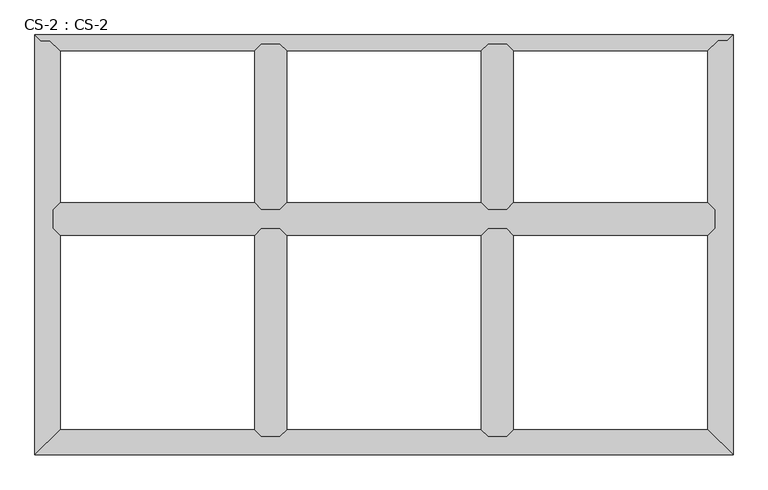
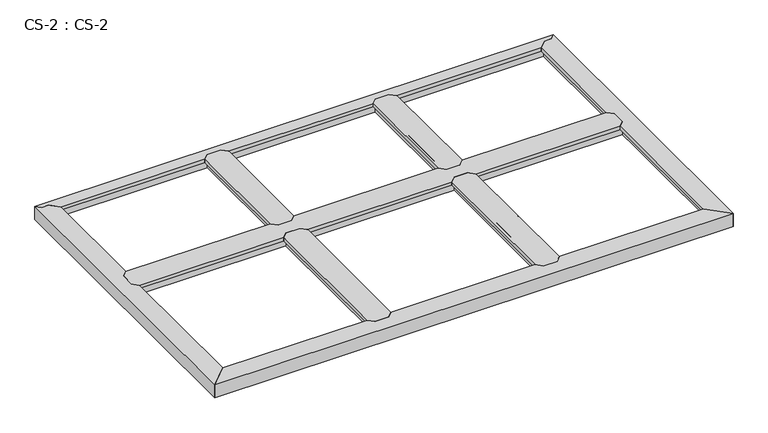
"""IFC4 building model written with IfcOpenShell, lengths in millimetres: proxy geometry, CS-2 : CS-2."""

from ifc_helpers import new_model, si_unit, origin, place, context, project, spatial, faceted_brep, source, transform, mapped, element, save


def cs_2_cs_2_cf7e7fa7(model_context):
    return source(origin(), model_context, "Body", "Brep", [
        faceted_brep([(2438.4, 812.8, 46.355), (2438.4, 812.8, 0.0), (2438.4, 819.785, 0.0), (2438.4, 819.785, 63.5), (2438.4, 871.855, 63.5), (2438.4, 871.855, 0.0), (2438.4, 878.84, 0.0), (2438.4, 878.84, 46.355), (2438.4, 878.84, 66.675), (2438.4, 812.8, 66.675), (66.04, 878.84, 46.355), (66.04, 878.84, 0.0), (66.04, 871.855, 0.0), (66.04, 871.855, 63.5), (66.04, 819.785, 63.5), (66.04, 819.785, 0.0), (66.04, 812.8, 0.0), (66.04, 812.8, 46.355), (66.04, 812.8, 66.675), (66.04, 878.84, 66.675), (90.678, 903.478, 49.8094), (90.678, 903.478, 66.675), (788.162, 903.478, 66.675), (788.162, 903.478, 49.8094), (2413.762, 903.478, 66.675), (2413.762, 903.478, 49.8094), (1716.278, 903.478, 49.8094), (1716.278, 903.478, 66.675), (903.478, 903.478, 49.8094), (903.478, 903.478, 66.675), (1600.962, 903.478, 66.675), (1600.962, 903.478, 49.8094), (89.154, 901.954, 49.8094), (789.686, 901.954, 49.8094), (2415.286, 901.954, 49.8094), (1714.754, 901.954, 49.8094), (901.954, 901.954, 49.8094), (1602.486, 901.954, 49.8094), (89.154, 901.954, 64.643), (789.686, 901.954, 64.643), (2415.286, 901.954, 64.643), (1714.754, 901.954, 64.643), (901.954, 901.954, 64.643), (1602.486, 901.954, 64.643), (78.867, 891.667, 64.643), (799.973, 891.667, 64.643), (2425.573, 891.667, 64.643), (1704.467, 891.667, 64.643), (891.667, 891.667, 64.643), (1612.773, 891.667, 64.643), (78.867, 891.667, 46.355), (799.973, 891.667, 46.355), (2425.573, 891.667, 46.355), (1704.467, 891.667, 46.355), (891.667, 891.667, 46.355), (1612.773, 891.667, 46.355), (812.8, 878.84, 46.355), (1691.64, 878.84, 46.355), (878.84, 878.84, 46.355), (1625.6, 878.84, 46.355), (812.8, 878.84, 66.675), (878.84, 878.84, 66.675), (1625.6, 878.84, 66.675), (1691.64, 878.84, 66.675), (1691.64, 812.8, 46.355), (1691.64, 812.8, 66.675), (1625.6, 812.8, 66.675), (1625.6, 812.8, 46.355), (878.84, 812.8, 46.355), (878.84, 812.8, 66.675), (812.8, 812.8, 66.675), (812.8, 812.8, 46.355), (78.867, 799.973, 46.355), (799.973, 799.973, 46.355), (2425.573, 799.973, 46.355), (1704.467, 799.973, 46.355), (891.667, 799.973, 46.355), (1612.773, 799.973, 46.355), (78.867, 799.973, 64.643), (799.973, 799.973, 64.643), (2425.573, 799.973, 64.643), (1704.467, 799.973, 64.643), (891.667, 799.973, 64.643), (1612.773, 799.973, 64.643), (89.154, 789.686, 64.643), (789.686, 789.686, 64.643), (2415.286, 789.686, 64.643), (1714.754, 789.686, 64.643), (901.954, 789.686, 64.643), (1602.486, 789.686, 64.643), (89.154, 789.686, 49.8094), (789.686, 789.686, 49.8094), (2415.286, 789.686, 49.8094), (1714.754, 789.686, 49.8094), (901.954, 789.686, 49.8094), (1602.486, 789.686, 49.8094), (90.678, 788.162, 49.8094), (788.162, 788.162, 49.8094), (2413.762, 788.162, 49.8094), (1716.278, 788.162, 49.8094), (903.478, 788.162, 49.8094), (1600.962, 788.162, 49.8094), (90.678, 788.162, 66.675), (788.162, 788.162, 66.675), (2413.762, 788.162, 66.675), (1716.278, 788.162, 66.675), (903.478, 788.162, 66.675), (1600.962, 788.162, 66.675)], [[[0, 1, 2, 3, 4, 5, 6, 7, 8, 9]], [[10, 11, 12, 13, 14, 15, 16, 17, 18, 19]], [[20, 21, 22, 23]], [[24, 25, 26, 27]], [[28, 29, 30, 31]], [[32, 20, 23, 33]], [[25, 34, 35, 26]], [[36, 28, 31, 37]], [[38, 32, 33, 39]], [[34, 40, 41, 35]], [[42, 36, 37, 43]], [[44, 38, 39, 45]], [[40, 46, 47, 41]], [[48, 42, 43, 49]], [[50, 44, 45, 51]], [[46, 52, 53, 47]], [[54, 48, 49, 55]], [[10, 50, 51, 56]], [[52, 7, 57, 53]], [[58, 54, 55, 59]], [[7, 6, 11, 10, 56, 60, 61, 58, 59, 62, 63, 57]], [[6, 5, 12, 11]], [[5, 4, 13, 12]], [[4, 3, 14, 13]], [[3, 2, 15, 14]], [[2, 1, 16, 15]], [[1, 0, 64, 65, 66, 67, 68, 69, 70, 71, 17, 16]], [[72, 17, 71, 73]], [[0, 74, 75, 64]], [[76, 68, 67, 77]], [[78, 72, 73, 79]], [[74, 80, 81, 75]], [[82, 76, 77, 83]], [[84, 78, 79, 85]], [[80, 86, 87, 81]], [[88, 82, 83, 89]], [[90, 84, 85, 91]], [[86, 92, 93, 87]], [[94, 88, 89, 95]], [[96, 90, 91, 97]], [[92, 98, 99, 93]], [[100, 94, 95, 101]], [[102, 96, 97, 103]], [[98, 104, 105, 99]], [[106, 100, 101, 107]], [[9, 8, 24, 27, 63, 62, 30, 29, 61, 60, 22, 21, 19, 18, 102, 103, 70, 69, 106, 107, 66, 65, 105, 104]], [[10, 19, 21, 20, 32, 38, 44, 50]], [[18, 17, 72, 78, 84, 90, 96, 102]], [[0, 9, 104, 98, 92, 86, 80, 74]], [[8, 7, 52, 46, 40, 34, 25, 24]], [[60, 56, 51, 45, 39, 33, 23, 22]], [[58, 61, 29, 28, 36, 42, 48, 54]], [[62, 59, 55, 49, 43, 37, 31, 30]], [[57, 63, 27, 26, 35, 41, 47, 53]], [[69, 68, 76, 82, 88, 94, 100, 106]], [[71, 70, 103, 97, 91, 85, 79, 73]], [[65, 64, 75, 81, 87, 93, 99, 105]], [[67, 66, 107, 101, 95, 89, 83, 77]]]),
        faceted_brep([(1691.64, 1473.2, 46.355), (1691.64, 1473.2, 0.0), (1684.655, 1473.2, 0.0), (1684.655, 1473.2, 63.5), (1632.585, 1473.2, 63.5), (1632.585, 1473.2, 0.0), (1625.6, 1473.2, 0.0), (1625.6, 1473.2, 46.355), (1625.6, 1473.2, 66.675), (1691.64, 1473.2, 66.675), (1625.6, 878.84, 46.355), (1625.6, 878.84, 0.0), (1632.585, 878.84, 0.0), (1632.585, 878.84, 63.5), (1684.655, 878.84, 63.5), (1684.655, 878.84, 0.0), (1691.64, 878.84, 0.0), (1691.64, 878.84, 46.355), (1691.64, 878.84, 66.675), (1625.6, 878.84, 66.675), (1600.962, 903.478, 66.675), (1600.962, 1448.562, 66.675), (1600.962, 1448.562, 49.8094), (1600.962, 903.478, 49.8094), (1602.486, 1450.086, 49.8094), (1602.486, 901.954, 49.8094), (1602.486, 1450.086, 64.643), (1602.486, 901.954, 64.643), (1612.773, 1460.373, 64.643), (1612.773, 891.667, 64.643), (1612.773, 1460.373, 46.355), (1612.773, 891.667, 46.355), (1704.467, 1460.373, 46.355), (1704.467, 891.667, 46.355), (1704.467, 1460.373, 64.643), (1704.467, 891.667, 64.643), (1714.754, 1450.086, 64.643), (1714.754, 901.954, 64.643), (1714.754, 1450.086, 49.8094), (1714.754, 901.954, 49.8094), (1716.278, 1448.562, 49.8094), (1716.278, 903.478, 49.8094), (1716.278, 1448.562, 66.675), (1716.278, 903.478, 66.675)], [[[0, 1, 2, 3, 4, 5, 6, 7, 8, 9]], [[10, 11, 12, 13, 14, 15, 16, 17, 18, 19]], [[20, 21, 22, 23]], [[23, 22, 24, 25]], [[25, 24, 26, 27]], [[27, 26, 28, 29]], [[29, 28, 30, 31]], [[7, 10, 31, 30]], [[7, 6, 11, 10]], [[6, 5, 12, 11]], [[5, 4, 13, 12]], [[4, 3, 14, 13]], [[3, 2, 15, 14]], [[2, 1, 16, 15]], [[1, 0, 17, 16]], [[17, 0, 32, 33]], [[33, 32, 34, 35]], [[35, 34, 36, 37]], [[37, 36, 38, 39]], [[39, 38, 40, 41]], [[41, 40, 42, 43]], [[9, 8, 21, 20, 19, 18, 43, 42]], [[10, 19, 20, 23, 25, 27, 29, 31]], [[18, 17, 33, 35, 37, 39, 41, 43]], [[0, 9, 42, 40, 38, 36, 34, 32]], [[8, 7, 30, 28, 26, 24, 22, 21]]]),
        faceted_brep([(878.84, 1473.2, 46.355), (878.84, 1473.2, 0.0), (871.855, 1473.2, 0.0), (871.855, 1473.2, 63.5), (819.785, 1473.2, 63.5), (819.785, 1473.2, 0.0), (812.8, 1473.2, 0.0), (812.8, 1473.2, 46.355), (812.8, 1473.2, 66.675), (878.84, 1473.2, 66.675), (812.8, 878.84, 46.355), (812.8, 878.84, 0.0), (819.785, 878.84, 0.0), (819.785, 878.84, 63.5), (871.855, 878.84, 63.5), (871.855, 878.84, 0.0), (878.84, 878.84, 0.0), (878.84, 878.84, 46.355), (878.84, 878.84, 66.675), (812.8, 878.84, 66.675), (788.162, 903.478, 66.675), (788.162, 1448.562, 66.675), (788.162, 1448.562, 49.8094), (788.162, 903.478, 49.8094), (789.686, 1450.086, 49.8094), (789.686, 901.954, 49.8094), (789.686, 1450.086, 64.643), (789.686, 901.954, 64.643), (799.973, 1460.373, 64.643), (799.973, 891.667, 64.643), (799.973, 1460.373, 46.355), (799.973, 891.667, 46.355), (891.667, 1460.373, 46.355), (891.667, 891.667, 46.355), (891.667, 1460.373, 64.643), (891.667, 891.667, 64.643), (901.954, 1450.086, 64.643), (901.954, 901.954, 64.643), (901.954, 1450.086, 49.8094), (901.954, 901.954, 49.8094), (903.478, 1448.562, 49.8094), (903.478, 903.478, 49.8094), (903.478, 1448.562, 66.675), (903.478, 903.478, 66.675)], [[[0, 1, 2, 3, 4, 5, 6, 7, 8, 9]], [[10, 11, 12, 13, 14, 15, 16, 17, 18, 19]], [[20, 21, 22, 23]], [[23, 22, 24, 25]], [[25, 24, 26, 27]], [[27, 26, 28, 29]], [[29, 28, 30, 31]], [[7, 10, 31, 30]], [[7, 6, 11, 10]], [[6, 5, 12, 11]], [[5, 4, 13, 12]], [[4, 3, 14, 13]], [[3, 2, 15, 14]], [[2, 1, 16, 15]], [[1, 0, 17, 16]], [[17, 0, 32, 33]], [[33, 32, 34, 35]], [[35, 34, 36, 37]], [[37, 36, 38, 39]], [[39, 38, 40, 41]], [[41, 40, 42, 43]], [[9, 8, 21, 20, 19, 18, 43, 42]], [[10, 19, 20, 23, 25, 27, 29, 31]], [[18, 17, 33, 35, 37, 39, 41, 43]], [[0, 9, 42, 40, 38, 36, 34, 32]], [[8, 7, 30, 28, 26, 24, 22, 21]]]),
        faceted_brep([(1691.64, 812.8, 46.355), (1691.64, 812.8, 0.0), (1684.655, 812.8, 0.0), (1684.655, 812.8, 63.5), (1632.585, 812.8, 63.5), (1632.585, 812.8, 0.0), (1625.6, 812.8, 0.0), (1625.6, 812.8, 46.355), (1625.6, 812.8, 66.675), (1691.64, 812.8, 66.675), (1625.6, 66.04, 46.355), (1625.6, 66.04, 0.0), (1632.585, 66.04, 0.0), (1632.585, 66.04, 63.5), (1684.655, 66.04, 63.5), (1684.655, 66.04, 0.0), (1691.64, 66.04, 0.0), (1691.64, 66.04, 46.355), (1691.64, 66.04, 66.675), (1625.6, 66.04, 66.675), (1600.962, 90.678, 66.675), (1600.962, 788.162, 66.675), (1600.962, 788.162, 49.8094), (1600.962, 90.678, 49.8094), (1602.486, 789.686, 49.8094), (1602.486, 89.154, 49.8094), (1602.486, 789.686, 64.643), (1602.486, 89.154, 64.643), (1612.773, 799.973, 64.643), (1612.773, 78.867, 64.643), (1612.773, 799.973, 46.355), (1612.773, 78.867, 46.355), (1704.467, 799.973, 46.355), (1704.467, 78.867, 46.355), (1704.467, 799.973, 64.643), (1704.467, 78.867, 64.643), (1714.754, 789.686, 64.643), (1714.754, 89.154, 64.643), (1714.754, 789.686, 49.8094), (1714.754, 89.154, 49.8094), (1716.278, 788.162, 49.8094), (1716.278, 90.678, 49.8094), (1716.278, 788.162, 66.675), (1716.278, 90.678, 66.675)], [[[0, 1, 2, 3, 4, 5, 6, 7, 8, 9]], [[10, 11, 12, 13, 14, 15, 16, 17, 18, 19]], [[20, 21, 22, 23]], [[23, 22, 24, 25]], [[25, 24, 26, 27]], [[27, 26, 28, 29]], [[29, 28, 30, 31]], [[7, 10, 31, 30]], [[7, 6, 11, 10]], [[6, 5, 12, 11]], [[5, 4, 13, 12]], [[4, 3, 14, 13]], [[3, 2, 15, 14]], [[2, 1, 16, 15]], [[1, 0, 17, 16]], [[17, 0, 32, 33]], [[33, 32, 34, 35]], [[35, 34, 36, 37]], [[37, 36, 38, 39]], [[39, 38, 40, 41]], [[41, 40, 42, 43]], [[9, 8, 21, 20, 19, 18, 43, 42]], [[10, 19, 20, 23, 25, 27, 29, 31]], [[18, 17, 33, 35, 37, 39, 41, 43]], [[0, 9, 42, 40, 38, 36, 34, 32]], [[8, 7, 30, 28, 26, 24, 22, 21]]]),
        faceted_brep([(878.84, 812.8, 46.355), (878.84, 812.8, 0.0), (871.855, 812.8, 0.0), (871.855, 812.8, 63.5), (819.785, 812.8, 63.5), (819.785, 812.8, 0.0), (812.8, 812.8, 0.0), (812.8, 812.8, 46.355), (812.8, 812.8, 66.675), (878.84, 812.8, 66.675), (812.8, 66.04, 46.355), (812.8, 66.04, 0.0), (819.785, 66.04, 0.0), (819.785, 66.04, 63.5), (871.855, 66.04, 63.5), (871.855, 66.04, 0.0), (878.84, 66.04, 0.0), (878.84, 66.04, 46.355), (878.84, 66.04, 66.675), (812.8, 66.04, 66.675), (788.162, 90.678, 66.675), (788.162, 788.162, 66.675), (788.162, 788.162, 49.8094), (788.162, 90.678, 49.8094), (789.686, 789.686, 49.8094), (789.686, 89.154, 49.8094), (789.686, 789.686, 64.643), (789.686, 89.154, 64.643), (799.973, 799.973, 64.643), (799.973, 78.867, 64.643), (799.973, 799.973, 46.355), (799.973, 78.867, 46.355), (891.667, 799.973, 46.355), (891.667, 78.867, 46.355), (891.667, 799.973, 64.643), (891.667, 78.867, 64.643), (901.954, 789.686, 64.643), (901.954, 89.154, 64.643), (901.954, 789.686, 49.8094), (901.954, 89.154, 49.8094), (903.478, 788.162, 49.8094), (903.478, 90.678, 49.8094), (903.478, 788.162, 66.675), (903.478, 90.678, 66.675)], [[[0, 1, 2, 3, 4, 5, 6, 7, 8, 9]], [[10, 11, 12, 13, 14, 15, 16, 17, 18, 19]], [[20, 21, 22, 23]], [[23, 22, 24, 25]], [[25, 24, 26, 27]], [[27, 26, 28, 29]], [[29, 28, 30, 31]], [[7, 10, 31, 30]], [[7, 6, 11, 10]], [[6, 5, 12, 11]], [[5, 4, 13, 12]], [[4, 3, 14, 13]], [[3, 2, 15, 14]], [[2, 1, 16, 15]], [[1, 0, 17, 16]], [[17, 0, 32, 33]], [[33, 32, 34, 35]], [[35, 34, 36, 37]], [[37, 36, 38, 39]], [[39, 38, 40, 41]], [[41, 40, 42, 43]], [[9, 8, 21, 20, 19, 18, 43, 42]], [[10, 19, 20, 23, 25, 27, 29, 31]], [[18, 17, 33, 35, 37, 39, 41, 43]], [[0, 9, 42, 40, 38, 36, 34, 32]], [[8, 7, 30, 28, 26, 24, 22, 21]]]),
        faceted_brep([(2504.44, 0.0, 0.0), (0.0, 0.0, 0.0), (6.985, 6.985, 0.0), (2497.455, 6.985, 0.0), (2497.455, 6.985, 63.5), (6.985, 6.985, 63.5), (2445.385, 59.055, 63.5), (59.055, 59.055, 63.5), (2445.385, 59.055, 0.0), (59.055, 59.055, 0.0), (66.04, 66.04, 0.0), (2438.4, 66.04, 0.0), (2438.4, 66.04, 46.355), (66.04, 66.04, 46.355), (812.8, 66.04, 46.355), (812.8, 66.04, 66.675), (878.84, 66.04, 66.675), (878.84, 66.04, 46.355), (1625.6, 66.04, 46.355), (1625.6, 66.04, 66.675), (1691.64, 66.04, 66.675), (1691.64, 66.04, 46.355), (2425.573, 78.867, 46.355), (1704.467, 78.867, 46.355), (78.867, 78.867, 46.355), (799.973, 78.867, 46.355), (1612.773, 78.867, 46.355), (891.667, 78.867, 46.355), (2425.573, 78.867, 63.5), (1704.467, 78.867, 63.5), (78.867, 78.867, 63.5), (799.973, 78.867, 63.5), (1612.773, 78.867, 63.5), (891.667, 78.867, 63.5), (2415.286, 89.154, 63.5), (1714.754, 89.154, 63.5), (89.154, 89.154, 63.5), (789.686, 89.154, 63.5), (1602.486, 89.154, 63.5), (901.954, 89.154, 63.5), (2415.286, 89.154, 49.8094), (1714.754, 89.154, 49.8094), (89.154, 89.154, 49.8094), (789.686, 89.154, 49.8094), (1602.486, 89.154, 49.8094), (901.954, 89.154, 49.8094), (2413.762, 90.678, 49.8094), (1716.278, 90.678, 49.8094), (90.678, 90.678, 49.8094), (788.162, 90.678, 49.8094), (1600.962, 90.678, 49.8094), (903.478, 90.678, 49.8094), (2413.762, 90.678, 66.675), (1716.278, 90.678, 66.675), (90.678, 90.678, 66.675), (788.162, 90.678, 66.675), (1600.962, 90.678, 66.675), (903.478, 90.678, 66.675), (0.0, 0.0, 66.675), (2504.44, 0.0, 66.675)], [[[0, 1, 2, 3]], [[4, 3, 2, 5]], [[6, 4, 5, 7]], [[8, 6, 7, 9]], [[10, 11, 8, 9]], [[12, 11, 10, 13, 14, 15, 16, 17, 18, 19, 20, 21]], [[22, 12, 21, 23]], [[13, 24, 25, 14]], [[26, 18, 17, 27]], [[28, 22, 23, 29]], [[24, 30, 31, 25]], [[32, 26, 27, 33]], [[34, 28, 29, 35]], [[30, 36, 37, 31]], [[38, 32, 33, 39]], [[40, 34, 35, 41]], [[36, 42, 43, 37]], [[44, 38, 39, 45]], [[46, 40, 41, 47]], [[42, 48, 49, 43]], [[50, 44, 45, 51]], [[52, 46, 47, 53]], [[48, 54, 55, 49]], [[56, 50, 51, 57]], [[58, 59, 52, 53, 20, 19, 56, 57, 16, 15, 55, 54]], [[1, 0, 59, 58]], [[0, 3, 4, 6, 8, 11, 12, 22, 28, 34, 40, 46, 52, 59]], [[2, 1, 58, 54, 48, 42, 36, 30, 24, 13, 10, 9, 7, 5]], [[19, 18, 26, 32, 38, 44, 50, 56]], [[21, 20, 53, 47, 41, 35, 29, 23]], [[15, 14, 25, 31, 37, 43, 49, 55]], [[17, 16, 57, 51, 45, 39, 33, 27]]]),
        faceted_brep([(2504.44, 1506.22, 0.0), (2504.44, 0.0, 0.0), (2497.455, 6.985, 0.0), (2497.455, 1499.235, 0.0), (2497.455, 1499.235, 63.5), (2497.455, 6.985, 63.5), (2482.85, 1484.63, 63.5), (2445.385, 59.055, 63.5), (2445.385, 1479.1093878, 63.5), (2451.1, 1484.63, 63.5), (2445.385, 1479.1093878, 0.0), (2445.385, 59.055, 0.0), (2438.4, 66.04, 0.0), (2438.4, 1472.3619728, 0.0), (2438.4, 1472.3619728, 46.355), (2438.4, 66.04, 46.355), (2438.4, 812.8, 46.355), (2438.4, 812.8, 66.675), (2438.4, 878.84, 66.675), (2438.4, 878.84, 46.355), (2425.573, 1459.9712653, 46.355), (2425.573, 891.667, 46.355), (2425.573, 78.867, 46.355), (2425.573, 799.973, 46.355), (2425.573, 1459.9712653, 63.5), (2425.573, 891.667, 63.5), (2425.573, 78.867, 63.5), (2425.573, 799.973, 63.5), (2415.286, 1450.0341633, 63.5), (2415.286, 901.954, 63.5), (2415.286, 89.154, 63.5), (2415.286, 789.686, 63.5), (2415.286, 1450.0341633, 49.8094), (2415.286, 901.954, 49.8094), (2415.286, 89.154, 49.8094), (2415.286, 789.686, 49.8094), (2413.762, 1448.562, 49.8094), (2413.762, 903.478, 49.8094), (2413.762, 90.678, 49.8094), (2413.762, 788.162, 49.8094), (2413.762, 1448.562, 66.675), (2413.762, 903.478, 66.675), (2413.762, 90.678, 66.675), (2413.762, 788.162, 66.675), (2504.44, 0.0, 66.675), (2504.44, 1506.22, 66.675), (2482.85, 1484.63, 66.675), (2451.1, 1484.63, 66.675)], [[[0, 1, 2, 3]], [[4, 3, 2, 5]], [[6, 4, 5, 7, 8, 9]], [[10, 8, 7, 11]], [[12, 13, 10, 11]], [[14, 13, 12, 15, 16, 17, 18, 19]], [[20, 14, 19, 21]], [[15, 22, 23, 16]], [[24, 20, 21, 25]], [[22, 26, 27, 23]], [[28, 24, 25, 29]], [[26, 30, 31, 27]], [[32, 28, 29, 33]], [[30, 34, 35, 31]], [[36, 32, 33, 37]], [[34, 38, 39, 35]], [[40, 36, 37, 41]], [[38, 42, 43, 39]], [[44, 45, 46, 47, 40, 41, 18, 17, 43, 42]], [[1, 0, 45, 44]], [[6, 46, 45, 0, 3, 4]], [[47, 9, 8, 10, 13, 14, 20, 24, 28, 32, 36, 40]], [[46, 6, 9, 47]], [[2, 1, 44, 42, 38, 34, 30, 26, 22, 15, 12, 11, 7, 5]], [[17, 16, 23, 27, 31, 35, 39, 43]], [[19, 18, 41, 37, 33, 29, 25, 21]]]),
        faceted_brep([(2504.44, 1506.22, 66.675), (0.0, 1506.22, 66.675), (21.59, 1484.63, 66.675), (53.34, 1484.63, 66.675), (90.678, 1448.562, 66.675), (788.162, 1448.562, 66.675), (812.8, 1473.2, 66.675), (878.84, 1473.2, 66.675), (903.478, 1448.562, 66.675), (1600.962, 1448.562, 66.675), (1625.6, 1473.2, 66.675), (1691.64, 1473.2, 66.675), (1716.278, 1448.562, 66.675), (2413.762, 1448.562, 66.675), (2451.1, 1484.63, 66.675), (2482.85, 1484.63, 66.675), (2504.44, 1506.22, 63.5), (0.0, 1506.22, 63.5), (2482.85, 1484.63, 63.5), (2451.1, 1484.63, 63.5), (2446.4984859, 1480.185, 63.5), (57.9415141, 1480.185, 63.5), (53.34, 1484.63, 63.5), (21.59, 1484.63, 63.5), (57.9415141, 1480.185, 0.0), (2446.4984859, 1480.185, 0.0), (2439.2675352, 1473.2, 0.0), (65.1724648, 1473.2, 0.0), (65.1724648, 1473.2, 46.355), (2439.2675352, 1473.2, 46.355), (1691.64, 1473.2, 46.355), (1625.6, 1473.2, 46.355), (878.84, 1473.2, 46.355), (812.8, 1473.2, 46.355), (78.4511197, 1460.373, 46.355), (799.973, 1460.373, 46.355), (2425.9888803, 1460.373, 46.355), (1704.467, 1460.373, 46.355), (891.667, 1460.373, 46.355), (1612.773, 1460.373, 46.355), (78.4511197, 1460.373, 64.643), (799.973, 1460.373, 64.643), (2425.9888803, 1460.373, 64.643), (1704.467, 1460.373, 64.643), (891.667, 1460.373, 64.643), (1612.773, 1460.373, 64.643), (89.100338, 1450.086, 64.643), (789.686, 1450.086, 64.643), (2415.339662, 1450.086, 64.643), (1714.754, 1450.086, 64.643), (901.954, 1450.086, 64.643), (1602.486, 1450.086, 64.643), (89.100338, 1450.086, 49.8094), (789.686, 1450.086, 49.8094), (2415.339662, 1450.086, 49.8094), (1714.754, 1450.086, 49.8094), (901.954, 1450.086, 49.8094), (1602.486, 1450.086, 49.8094), (90.678, 1448.562, 49.8094), (788.162, 1448.562, 49.8094), (2413.762, 1448.562, 49.8094), (1716.278, 1448.562, 49.8094), (903.478, 1448.562, 49.8094), (1600.962, 1448.562, 49.8094)], [[[0, 1, 2, 3, 4, 5, 6, 7, 8, 9, 10, 11, 12, 13, 14, 15]], [[1, 0, 16, 17]], [[17, 16, 18, 19, 20, 21, 22, 23]], [[24, 21, 20, 25]], [[26, 27, 24, 25]], [[28, 27, 26, 29, 30, 11, 10, 31, 32, 7, 6, 33]], [[34, 28, 33, 35]], [[29, 36, 37, 30]], [[38, 32, 31, 39]], [[40, 34, 35, 41]], [[36, 42, 43, 37]], [[44, 38, 39, 45]], [[46, 40, 41, 47]], [[42, 48, 49, 43]], [[50, 44, 45, 51]], [[52, 46, 47, 53]], [[48, 54, 55, 49]], [[56, 50, 51, 57]], [[58, 52, 53, 59]], [[54, 60, 61, 55]], [[62, 56, 57, 63]], [[4, 58, 59, 5]], [[60, 13, 12, 61]], [[8, 62, 63, 9]], [[23, 2, 1, 17]], [[3, 22, 21, 24, 27, 28, 34, 40, 46, 52, 58, 4]], [[2, 23, 22, 3]], [[18, 15, 14, 19]], [[19, 14, 13, 60, 54, 48, 42, 36, 29, 26, 25, 20]], [[15, 18, 16, 0]], [[7, 32, 38, 44, 50, 56, 62, 8]], [[33, 6, 5, 59, 53, 47, 41, 35]], [[11, 30, 37, 43, 49, 55, 61, 12]], [[31, 10, 9, 63, 57, 51, 45, 39]]]),
        faceted_brep([(0.0, 0.0, 0.0), (0.0, 1506.22, 0.0), (6.985, 1499.235, 0.0), (6.985, 6.985, 0.0), (6.985, 6.985, 63.5), (6.985, 1499.235, 63.5), (59.055, 59.055, 63.5), (21.59, 1484.63, 63.5), (53.34, 1484.63, 63.5), (59.055, 1479.1093878, 63.5), (59.055, 59.055, 0.0), (59.055, 1479.1093878, 0.0), (66.04, 1472.3619728, 0.0), (66.04, 66.04, 0.0), (66.04, 66.04, 46.355), (66.04, 1472.3619728, 46.355), (66.04, 878.84, 46.355), (66.04, 878.84, 66.675), (66.04, 812.8, 66.675), (66.04, 812.8, 46.355), (78.867, 78.867, 46.355), (78.867, 799.973, 46.355), (78.867, 1459.9712653, 46.355), (78.867, 891.667, 46.355), (78.867, 78.867, 63.5), (78.867, 799.973, 63.5), (78.867, 1459.9712653, 63.5), (78.867, 891.667, 63.5), (89.154, 89.154, 63.5), (89.154, 789.686, 63.5), (89.154, 1450.0341633, 63.5), (89.154, 901.954, 63.5), (89.154, 89.154, 49.8094), (89.154, 789.686, 49.8094), (89.154, 1450.0341633, 49.8094), (89.154, 901.954, 49.8094), (90.678, 90.678, 49.8094), (90.678, 788.162, 49.8094), (90.678, 1448.562, 49.8094), (90.678, 903.478, 49.8094), (90.678, 90.678, 66.675), (90.678, 788.162, 66.675), (90.678, 1448.562, 66.675), (90.678, 903.478, 66.675), (0.0, 1506.22, 66.675), (0.0, 0.0, 66.675), (53.34, 1484.63, 66.675), (21.59, 1484.63, 66.675)], [[[0, 1, 2, 3]], [[4, 3, 2, 5]], [[6, 4, 5, 7, 8, 9]], [[10, 6, 9, 11]], [[12, 13, 10, 11]], [[14, 13, 12, 15, 16, 17, 18, 19]], [[20, 14, 19, 21]], [[15, 22, 23, 16]], [[24, 20, 21, 25]], [[22, 26, 27, 23]], [[28, 24, 25, 29]], [[26, 30, 31, 27]], [[32, 28, 29, 33]], [[30, 34, 35, 31]], [[36, 32, 33, 37]], [[34, 38, 39, 35]], [[40, 36, 37, 41]], [[38, 42, 43, 39]], [[44, 45, 40, 41, 18, 17, 43, 42, 46, 47]], [[1, 0, 45, 44]], [[0, 3, 4, 6, 10, 13, 14, 20, 24, 28, 32, 36, 40, 45]], [[7, 47, 46, 8]], [[8, 46, 42, 38, 34, 30, 26, 22, 15, 12, 11, 9]], [[47, 7, 5, 2, 1, 44]], [[17, 16, 23, 27, 31, 35, 39, 43]], [[19, 18, 41, 37, 33, 29, 25, 21]]]),
    ])


if __name__ == "__main__":
    model = new_model("IFC4")
    model_context = context("Model", 3, world=origin())
    ifc_project = project(units=[si_unit("LENGTHUNIT", "METRE", prefix="MILLI")], contexts=[model_context])
    site = spatial("IfcSite", under=ifc_project)
    building = spatial("IfcBuilding", under=site)
    placement = place(None, origin())
    cs_2_cs_2_shape = cs_2_cs_2_cf7e7fa7(model_context)
    element("IfcBuildingElementProxy", 1, Name="CS-2 : CS-2", ObjectType="CS-2 : CS-2", at=placement, inside=building, context=model_context, shape_type="MappedRepresentation", body=[
        mapped(cs_2_cs_2_shape, transform((0.0, 0.0, 0.0), x_axis=(1.0, 0.0, 0.0), y_axis=(0.0, 1.0, 0.0), z_axis=(0.0, 0.0, 1.0))),
    ])
    save(model, "model.ifc")
